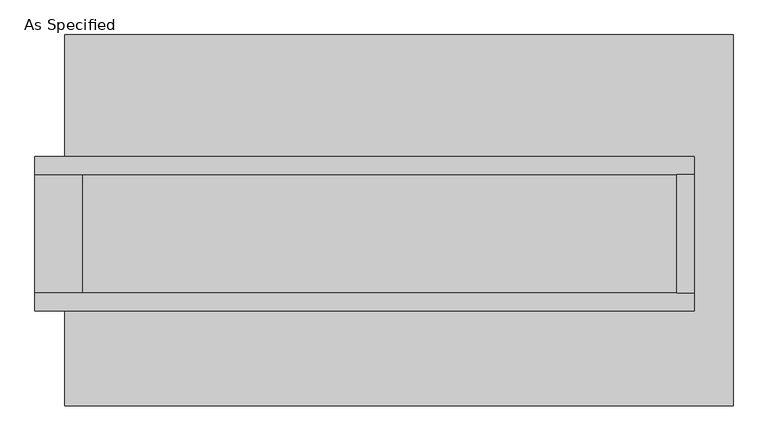
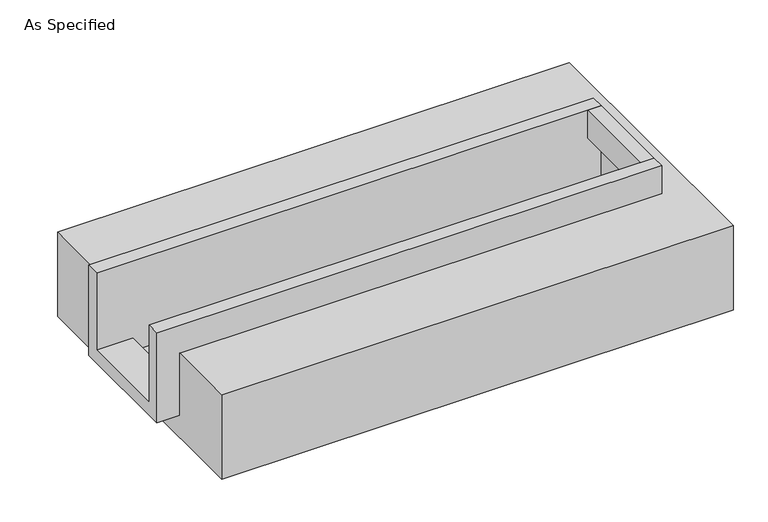
"""IFC4 building model written with IfcOpenShell, lengths in millimetres: proxy geometry, As Specified."""

from ifc_helpers import new_model, si_unit, frame, origin, place, context, project, spatial, polyline, outline, extrude, faceted_brep, source, transform, mapped, element, save


def as_specified_5089c187(model_context):
    return source(origin(), model_context, "Body", "SolidModel", [
        extrude(outline(polyline([(1187.45, 196.85), (1263.65, 196.85), (1263.65, -311.15), (1187.45, -311.15), (1187.45, 196.85)])), frame((0.0, 0.0, -25.4), z_axis=(0.0, 0.0, 1.0), x_axis=(1.0, 0.0, 0.0)), (0.0, 0.0, 1.0), 165.1),
        faceted_brep([(1263.65, 196.85, 139.7), (1263.65, 196.85, -317.5), (1263.65, -311.15, -317.5), (1263.65, -311.15, 139.7), (1263.65, -387.35, 139.7), (1263.65, -387.35, -393.7), (1263.65, 273.05, -393.7), (1263.65, 273.05, 139.7), (-1555.75, 196.85, 139.7), (-1555.75, 273.05, 139.7), (-1555.75, 273.05, -393.7), (-1555.75, -387.35, -393.7), (-1555.75, -387.35, 139.7), (-1555.75, -311.15, 139.7), (-1555.75, -311.15, -317.5), (-1555.75, 196.85, -317.5), (-1352.55, 196.85, -393.7), (-1352.55, -311.15, -393.7), (1187.45, -311.15, -393.7), (1187.45, 196.85, -393.7), (1187.45, -311.15, -317.5), (-1352.55, -311.15, -317.5), (1187.45, 196.85, -317.5), (-1352.55, 196.85, -317.5)], [[[0, 1, 2, 3, 4, 5, 6, 7]], [[8, 9, 10, 11, 12, 13, 14, 15]], [[0, 7, 9, 8]], [[7, 6, 10, 9]], [[6, 5, 11, 10], [16, 17, 18, 19]], [[4, 3, 13, 12]], [[3, 2, 20, 18, 17, 21, 14, 13]], [[2, 1, 22, 20]], [[15, 14, 21, 23]], [[1, 0, 8, 15, 23, 16, 19, 22]], [[21, 17, 16, 23]], [[18, 20, 22, 19]], [[5, 4, 12, 11]]]),
        faceted_brep([(-1428.75, 793.75, -523.9742188), (1428.75, 793.75, -523.9742188), (1428.75, -793.75, -523.9742188), (-1428.75, -793.75, -523.9742188), (1428.75, 793.75, -25.4), (-1428.75, 793.75, -25.4), (-1428.75, 273.05, -25.4), (1263.65, 273.05, -25.4), (1263.65, -387.35, -25.4), (-1428.75, -387.35, -25.4), (-1428.75, -793.75, -25.4), (1428.75, -793.75, -25.4), (-1428.75, -387.35, -393.7), (-1428.75, 273.05, -393.7), (1263.65, 273.05, -393.7), (1263.65, -387.35, -393.7)], [[[0, 1, 2, 3]], [[4, 5, 6, 7, 8, 9, 10, 11]], [[1, 0, 5, 4]], [[5, 0, 3, 10, 9, 12, 13, 6]], [[1, 4, 11, 2]], [[3, 2, 11, 10]], [[14, 15, 8, 7]], [[13, 14, 7, 6]], [[15, 14, 13, 12]], [[15, 12, 9, 8]]]),
    ])


if __name__ == "__main__":
    model = new_model("IFC4")
    model_context = context("Model", 3, world=origin())
    ifc_project = project(units=[si_unit("LENGTHUNIT", "METRE", prefix="MILLI")], contexts=[model_context])
    site = spatial("IfcSite", under=ifc_project)
    building = spatial("IfcBuilding", under=site)
    placement = place(None, origin())
    as_specified_shape = as_specified_5089c187(model_context)
    element("IfcBuildingElementProxy", 1, Name="As Specified", ObjectType="As Specified", at=placement, inside=building, context=model_context, shape_type="MappedRepresentation", body=[
        mapped(as_specified_shape, transform((0.0, 0.0, 0.0), x_axis=(1.0, 0.0, 0.0), y_axis=(0.0, 1.0, 0.0), z_axis=(0.0, 0.0, 1.0))),
    ])
    save(model, "model.ifc")
